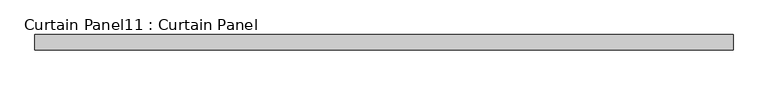
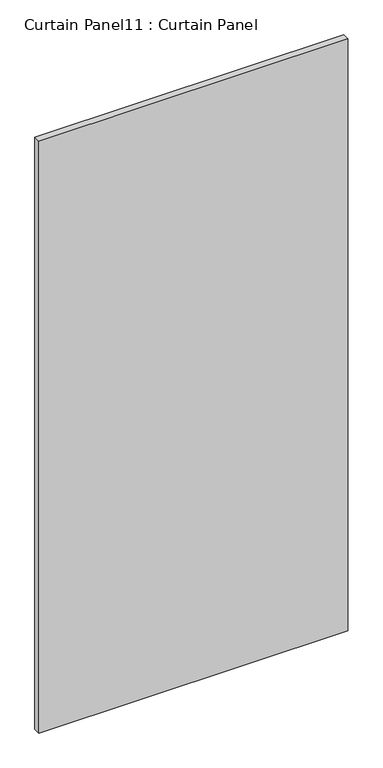
"""IFC4 building model written with IfcOpenShell, lengths in millimetres: plate geometry, Curtain Panel11 : Curtain Panel."""

from ifc_helpers import new_model, si_unit, frame, origin, place, context, project, spatial, polyline, outline, extrude, source, transform, mapped, element, save


def curtain_panel11_curtain_panel_353392b0(model_context):
    return source(origin(), model_context, "Body", "SweptSolid", [
        extrude(outline(polyline([(-287307.7274652, 3163.0425864), (-288463.3473592, 3163.0425864), (-288463.3473592, 3188.4425864), (-287307.7274652, 3188.4425864), (-287307.7274652, 3163.0425864)])), frame((0.0, 0.0, -3576.637373), z_axis=(0.0, 0.0, 1.0), x_axis=(1.0, 0.0, 0.0)), (0.0, 0.0, 1.0), 2339.974873),
    ])


if __name__ == "__main__":
    model = new_model("IFC4")
    model_context = context("Model", 3, world=origin())
    ifc_project = project(units=[si_unit("LENGTHUNIT", "METRE", prefix="MILLI")], contexts=[model_context])
    site = spatial("IfcSite", under=ifc_project)
    building = spatial("IfcBuilding", under=site)
    placement = place(None, origin())
    curtain_panel11_curtain_panel_shape = curtain_panel11_curtain_panel_353392b0(model_context)
    element("IfcPlate", 1, ObjectType="Curtain Panel11 : Curtain Panel", at=placement, inside=building, context=model_context, shape_type="MappedRepresentation", body=[
        mapped(curtain_panel11_curtain_panel_shape, transform((0.0, 0.0, 0.0), x_axis=(1.0, 0.0, 0.0), y_axis=(0.0, 1.0, 0.0), z_axis=(0.0, 0.0, 1.0))),
    ])
    save(model, "model.ifc")
